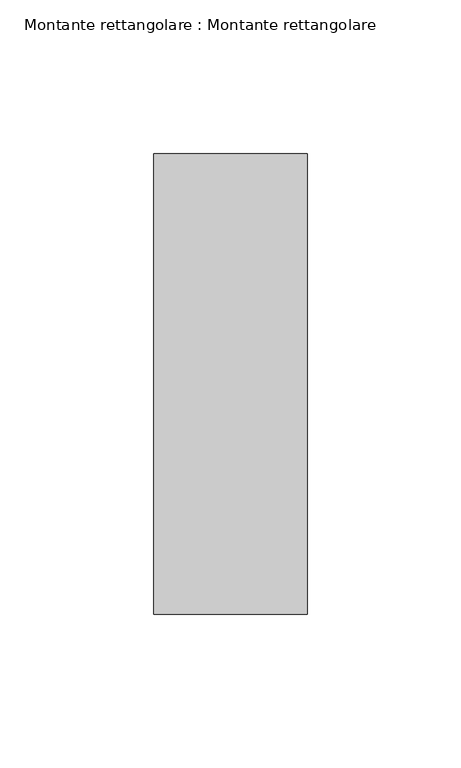
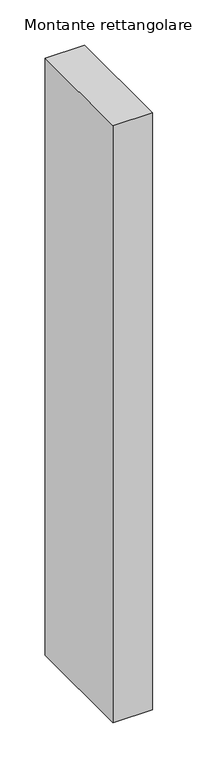
"""IFC4 building model written with IfcOpenShell, lengths in millimetres: member geometry, Montante rettangolare : Montante rettangolare."""

from ifc_helpers import new_model, si_unit, frame, origin, place, context, project, spatial, polyline, outline, extrude, source, transform, mapped, element, save


def montante_rettangolare_montante_rettangolare_9b05610f(model_context):
    return source(origin(), model_context, "Body", "SweptSolid", [
        extrude(outline(polyline([(25.0, 75.0), (25.0, -75.0), (-25.0, -75.0), (-25.0, 75.0), (25.0, 75.0)])), frame((0.0, 0.0, -803.0), z_axis=(0.0, 0.0, 1.0), x_axis=(1.0, 0.0, 0.0)), (0.0, 0.0, 1.0), 803.0),
    ])


if __name__ == "__main__":
    model = new_model("IFC4")
    model_context = context("Model", 3, world=origin())
    ifc_project = project(units=[si_unit("LENGTHUNIT", "METRE", prefix="MILLI")], contexts=[model_context])
    site = spatial("IfcSite", under=ifc_project)
    building = spatial("IfcBuilding", under=site)
    placement = place(None, origin())
    montante_rettangolare_montante_rettangolare_shape = montante_rettangolare_montante_rettangolare_9b05610f(model_context)
    element("IfcMember", 1, ObjectType="Montante rettangolare : Montante rettangolare", at=placement, inside=building, context=model_context, shape_type="MappedRepresentation", body=[
        mapped(montante_rettangolare_montante_rettangolare_shape, transform((0.0, 0.0, 0.0), x_axis=(1.0, 0.0, 0.0), y_axis=(0.0, 1.0, 0.0), z_axis=(0.0, 0.0, 1.0))),
    ])
    save(model, "model.ifc")
